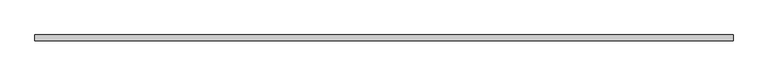
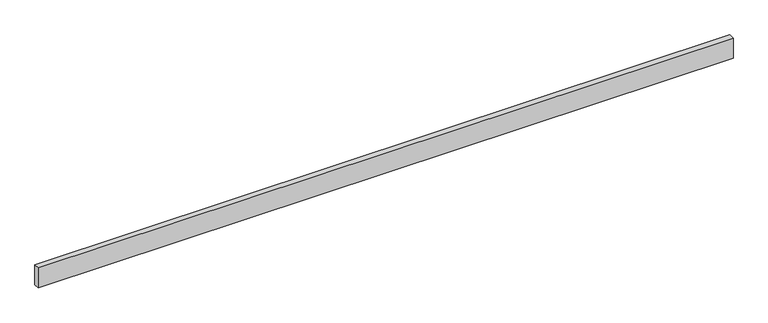
"""IFC4 building model written with IfcOpenShell, lengths in millimetres: beam geometry."""

from ifc_helpers import new_model, si_unit, frame, origin, place, context, project, spatial, polyline, outline, extrude, source, transform, mapped, element, save


def beam_92749332(model_context):
    return source(origin(), model_context, "Body", "SweptSolid", [
        extrude(outline(polyline([(2286.0, -19.05), (-2286.0, -19.05), (-2286.0, 19.05), (2286.0, 19.05), (2286.0, -19.05)])), frame((0.0, 0.0, -69.85), z_axis=(0.0, 0.0, 1.0), x_axis=(1.0, 0.0, 0.0)), (0.0, 0.0, 1.0), 139.7),
    ])


if __name__ == "__main__":
    model = new_model("IFC4")
    model_context = context("Model", 3, world=origin())
    ifc_project = project(units=[si_unit("LENGTHUNIT", "METRE", prefix="MILLI")], contexts=[model_context])
    site = spatial("IfcSite", under=ifc_project)
    building = spatial("IfcBuilding", under=site)
    placement = place(None, origin())
    beam_shape = beam_92749332(model_context)
    element("IfcBeam", 1, at=placement, inside=building, context=model_context, shape_type="MappedRepresentation", body=[
        mapped(beam_shape, transform((0.0, 0.0, 0.0), x_axis=(1.0, 0.0, 0.0), y_axis=(0.0, 1.0, 0.0), z_axis=(0.0, 0.0, 1.0))),
    ])
    save(model, "model.ifc")
